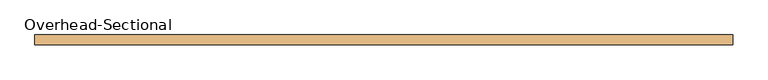
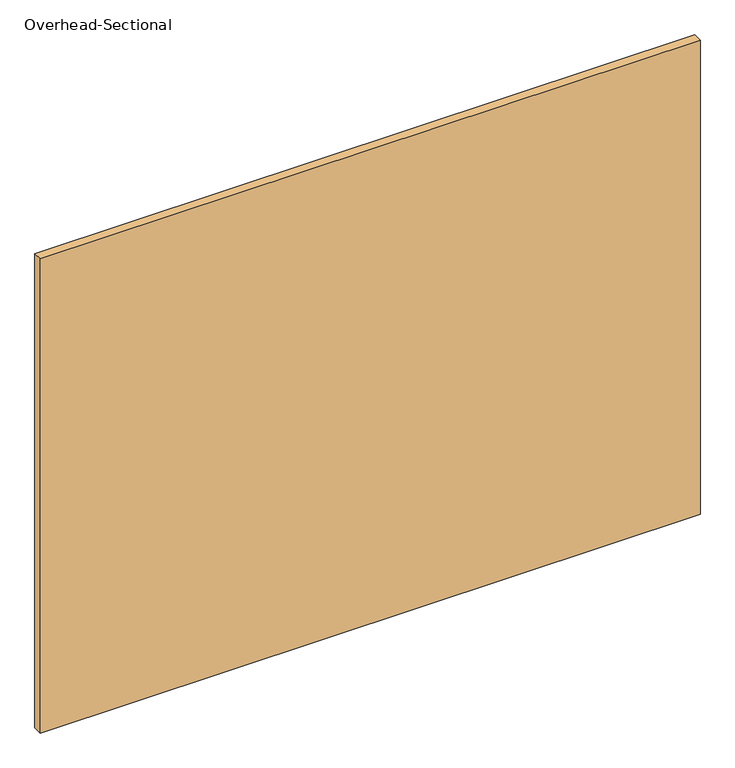
"""IFC4 building model written with IfcOpenShell, lengths in millimetres: door geometry, Overhead-Sectional."""

from ifc_helpers import new_model, si_unit, origin, origin_with_axes, place, context, project, spatial, polyline, outline, extrude, source, transform, mapped, element, save


def overhead_sectional_3e008767(model_context):
    return source(origin(), model_context, "Body", "SweptSolid", [
        extrude(outline(polyline([(1371.6, -69.85), (1371.6, -107.95), (-1371.6, -107.95), (-1371.6, -69.85), (1371.6, -69.85)])), origin_with_axes(), (0.0, 0.0, 1.0), 2082.8),
    ])


if __name__ == "__main__":
    model = new_model("IFC4")
    model_context = context("Model", 3, world=origin())
    ifc_project = project(units=[si_unit("LENGTHUNIT", "METRE", prefix="MILLI")], contexts=[model_context])
    site = spatial("IfcSite", under=ifc_project)
    building = spatial("IfcBuilding", under=site)
    placement = place(None, origin())
    overhead_sectional_shape = overhead_sectional_3e008767(model_context)
    element("IfcDoor", 1, ObjectType="Overhead-Sectional", at=placement, inside=building, context=model_context, shape_type="MappedRepresentation", body=[
        mapped(overhead_sectional_shape, transform((0.0, 0.0, 0.0), x_axis=(1.0, 0.0, 0.0), y_axis=(0.0, 1.0, 0.0), z_axis=(0.0, 0.0, 1.0))),
    ])
    save(model, "model.ifc")
